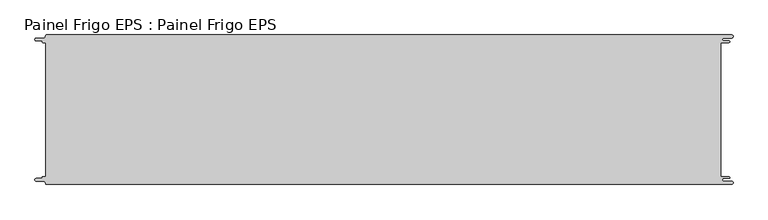
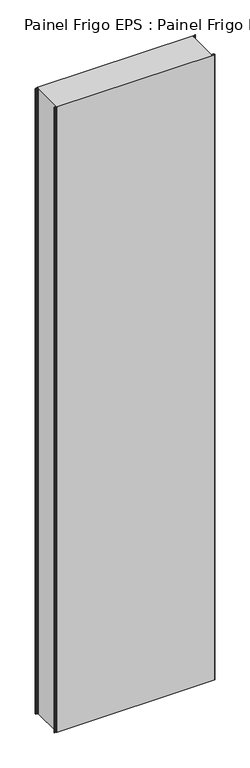
"""IFC4 building model written with IfcOpenShell, lengths in millimetres: proxy geometry, Painel Frigo EPS : Painel Frigo EPS."""

from ifc_helpers import new_model, si_unit, frame, origin, place, context, project, spatial, polyline, circle_curve, source, transform, mapped, element, save
from ifc_brep_helpers import plane_surface, cylinder_surface, revolved_surface, advanced_brep


def painel_frigo_eps_painel_frigo_eps_882fb160(model_context):
    return source(origin(), model_context, "Body", "AdvancedBrep", [
        advanced_brep(
        [(-579.5093748, -112.3, 4800.0), (-580.1093748, -112.9, 4800.0), (-580.1093748, -113.7085184, 4800.0), (-581.5093751, -115.1085187, 4800.0), (-590.4875, -115.1085187, 4800.0), (-590.4875, -119.5085185, 4800.0), (-578.471875, -119.5085185, 4800.0), (-574.921875, -123.0585185, 4800.0), (-572.971875, -125.0, 4800.0), (572.284375, -125.0, 4800.0), (572.284375, -119.725, 4800.0), (559.378125, -119.725, 4800.0), (559.378125, -114.875, 4800.0), (568.0406253, -114.875, 4800.0), (568.0406253, -112.3, 4800.0), (554.1906253, -112.3, 4800.0), (554.1906253, 112.3, 4800.0), (568.0406253, 112.3, 4800.0), (568.0406253, 114.875, 4800.0), (559.378125, 114.875, 4800.0), (559.378125, 119.725, 4800.0), (572.284375, 119.725, 4800.0), (572.284375, 125.0, 4800.0), (-572.971875, 125.0, 4800.0), (-574.921875, 123.05, 4800.0), (-578.471875, 119.5085185, 4800.0), (-590.4875, 119.5085185, 4800.0), (-590.4875, 115.1085185, 4800.0), (-581.5093753, 115.1085185, 4800.0), (-580.1093753, 113.7085185, 4800.0), (-580.1093753, 112.9, 4800.0), (-579.5093748, 112.2999995, 4800.0), (-574.2218362, 112.2999995, 4800.0), (-574.2218362, -112.3, 4800.0), (-579.5093748, -112.3, 0.0), (-574.2218362, -112.3, 0.0), (-574.2218362, 112.2999995, 0.0), (-579.5093748, 112.2999995, 0.0), (-580.1093753, 112.9, 0.0), (-580.1093753, 113.7085185, 0.0), (-581.5093753, 115.1085185, 0.0), (-590.4875, 115.1085185, 0.0), (-590.4875, 119.5085185, 0.0), (-578.471875, 119.5085185, 0.0), (-574.921875, 123.0585185, 0.0), (-572.971875, 125.0, 0.0), (572.284375, 125.0, 0.0), (572.284375, 119.725, 0.0), (559.378125, 119.725, 0.0), (559.378125, 114.875, 0.0), (568.0406253, 114.875, 0.0), (568.0406253, 112.3, 0.0), (554.1906253, 112.3, 0.0), (554.1906253, -112.3, 0.0), (568.0406253, -112.3, 0.0), (568.0406253, -114.875, 0.0), (559.378125, -114.875, 0.0), (559.378125, -119.725, 0.0), (572.284375, -119.725, 0.0), (572.284375, -125.0, 0.0), (-572.971875, -125.0, 0.0), (-574.921875, -123.05, 0.0), (-578.471875, -119.5085185, 0.0), (-590.4875, -119.5085185, 0.0), (-590.4875, -115.1085187, 0.0), (-581.5093751, -115.1085187, 0.0), (-580.1093748, -113.7085184, 0.0), (-580.1093748, -112.9, 0.0)],
        [
            (0, 1, circle_curve(frame((-579.5093748, -112.9, 4800.0), z_axis=(0.0, 0.0, 1.0), x_axis=(1.0, 0.0, 0.0)), 0.6)),
            (1, 2),
            (2, 3, circle_curve(frame((-581.5093751, -113.7085184, 4800.0), z_axis=(0.0, 0.0, -1.0), x_axis=(1.0, 0.0, 0.0)), 1.4000003)),
            (3, 4),
            (4, 5, circle_curve(frame((-590.4875, -117.3085186, 4800.0), z_axis=(0.0, 0.0, 1.0), x_axis=(1.0, 0.0, 0.0)), 2.1999999)),
            (5, 6),
            (6, 7, circle_curve(frame((-578.471875, -123.0585185, 4800.0), z_axis=(0.0, 0.0, -1.0), x_axis=(1.0, 0.0, 0.0)), 3.55)),
            (7, 8, circle_curve(frame((-572.971875, -123.05, 4800.0), z_axis=(0.0, 0.0, 1.0), x_axis=(1.0, 0.0, 0.0)), 1.95)),
            (8, 9),
            (9, 10, circle_curve(frame((572.284375, -122.3625, 4800.0), z_axis=(0.0, 0.0, 1.0), x_axis=(1.0, 0.0, 0.0)), 2.6375)),
            (10, 11),
            (11, 12, circle_curve(frame((559.378125, -117.3, 4800.0), z_axis=(0.0, 0.0, -1.0), x_axis=(1.0, 0.0, 0.0)), 2.425)),
            (12, 13),
            (13, 14, circle_curve(frame((568.0406253, -113.5875, 4800.0), z_axis=(0.0, 0.0, 1.0), x_axis=(1.0, 0.0, 0.0)), 1.2875)),
            (14, 15),
            (15, 16),
            (16, 17),
            (17, 18, circle_curve(frame((568.0406253, 113.5875, 4800.0), z_axis=(0.0, 0.0, 1.0), x_axis=(1.0, 0.0, 0.0)), 1.2875)),
            (18, 19),
            (19, 20, circle_curve(frame((559.378125, 117.3, 4800.0), z_axis=(0.0, 0.0, -1.0), x_axis=(1.0, 0.0, 0.0)), 2.425)),
            (20, 21),
            (21, 22, circle_curve(frame((572.284375, 122.3625, 4800.0), z_axis=(0.0, 0.0, 1.0), x_axis=(1.0, 0.0, 0.0)), 2.6375)),
            (22, 23),
            (23, 24, circle_curve(frame((-572.971875, 123.05, 4800.0), z_axis=(0.0, 0.0, 1.0), x_axis=(1.0, 0.0, 0.0)), 1.95)),
            (24, 25, circle_curve(frame((-578.471875, 123.0585185, 4800.0), z_axis=(0.0, 0.0, -1.0), x_axis=(1.0, 0.0, 0.0)), 3.55)),
            (25, 26),
            (26, 27, circle_curve(frame((-590.4875, 117.3085185, 4800.0), z_axis=(0.0, 0.0, 1.0), x_axis=(1.0, 0.0, 0.0)), 2.2)),
            (27, 28),
            (28, 29, circle_curve(frame((-581.5093753, 113.7085185, 4800.0), z_axis=(0.0, 0.0, -1.0), x_axis=(1.0, 0.0, 0.0)), 1.4)),
            (29, 30),
            (30, 31, circle_curve(frame((-579.5093748, 112.9, 4800.0), z_axis=(0.0, 0.0, 1.0), x_axis=(1.0, 0.0, 0.0)), 0.6000005)),
            (31, 32),
            (32, 33),
            (33, 0),
            (34, 35),
            (35, 36),
            (36, 37),
            (37, 38, circle_curve(frame((-579.5093748, 112.9, 0.0), z_axis=(0.0, 0.0, -1.0), x_axis=(1.0, 0.0, 0.0)), 0.6000005)),
            (38, 39),
            (39, 40, circle_curve(frame((-581.5093753, 113.7085185, 0.0), z_axis=(0.0, 0.0, 1.0), x_axis=(1.0, 0.0, 0.0)), 1.4)),
            (40, 41),
            (41, 42, circle_curve(frame((-590.4875, 117.3085185, 0.0), z_axis=(0.0, 0.0, -1.0), x_axis=(1.0, 0.0, 0.0)), 2.2)),
            (42, 43),
            (43, 44, circle_curve(frame((-578.471875, 123.0585185, 0.0), z_axis=(0.0, 0.0, 1.0), x_axis=(1.0, 0.0, 0.0)), 3.55)),
            (44, 45, circle_curve(frame((-572.971875, 123.05, 0.0), z_axis=(0.0, 0.0, -1.0), x_axis=(1.0, 0.0, 0.0)), 1.95)),
            (45, 46),
            (46, 47, circle_curve(frame((572.284375, 122.3625, 0.0), z_axis=(0.0, 0.0, -1.0), x_axis=(1.0, 0.0, 0.0)), 2.6375)),
            (47, 48),
            (48, 49, circle_curve(frame((559.378125, 117.3, 0.0), z_axis=(0.0, 0.0, 1.0), x_axis=(1.0, 0.0, 0.0)), 2.425)),
            (49, 50),
            (50, 51, circle_curve(frame((568.0406253, 113.5875, 0.0), z_axis=(0.0, 0.0, -1.0), x_axis=(1.0, 0.0, 0.0)), 1.2875)),
            (51, 52),
            (52, 53),
            (53, 54),
            (54, 55, circle_curve(frame((568.0406253, -113.5875, 0.0), z_axis=(0.0, 0.0, -1.0), x_axis=(1.0, 0.0, 0.0)), 1.2875)),
            (55, 56),
            (56, 57, circle_curve(frame((559.378125, -117.3, 0.0), z_axis=(0.0, 0.0, 1.0), x_axis=(1.0, 0.0, 0.0)), 2.425)),
            (57, 58),
            (58, 59, circle_curve(frame((572.284375, -122.3625, 0.0), z_axis=(0.0, 0.0, -1.0), x_axis=(1.0, 0.0, 0.0)), 2.6375)),
            (59, 60),
            (60, 61, circle_curve(frame((-572.971875, -123.05, 0.0), z_axis=(0.0, 0.0, -1.0), x_axis=(1.0, 0.0, 0.0)), 1.95)),
            (61, 62, circle_curve(frame((-578.471875, -123.0585185, 0.0), z_axis=(0.0, 0.0, 1.0), x_axis=(1.0, 0.0, 0.0)), 3.55)),
            (62, 63),
            (63, 64, circle_curve(frame((-590.4875, -117.3085186, 0.0), z_axis=(0.0, 0.0, -1.0), x_axis=(1.0, 0.0, 0.0)), 2.1999999)),
            (64, 65),
            (65, 66, circle_curve(frame((-581.5093751, -113.7085184, 0.0), z_axis=(0.0, 0.0, 1.0), x_axis=(1.0, 0.0, 0.0)), 1.4000003)),
            (66, 67),
            (67, 34, circle_curve(frame((-579.5093748, -112.9, 0.0), z_axis=(0.0, 0.0, -1.0), x_axis=(1.0, 0.0, 0.0)), 0.6)),
            (22, 46),
            (45, 23),
            (8, 60),
            (59, 9),
            (33, 35),
            (34, 0),
            (32, 36),
            (31, 37),
            (30, 38),
            (29, 39),
            (28, 40),
            (27, 41),
            (26, 42),
            (25, 43),
            (24, 44),
            (15, 53),
            (52, 16),
            (14, 54),
            (13, 55),
            (12, 56),
            (11, 57),
            (10, 58),
            (7, 61),
            (6, 62),
            (5, 63),
            (4, 64),
            (3, 65),
            (2, 66),
            (1, 67),
            (21, 47),
            (20, 48),
            (19, 49),
            (18, 50),
            (17, 51),
        ],
        [
            plane_surface(frame((-574.2218362, -112.3, 4800.0), z_axis=(0.0, 0.0, 1.0), x_axis=(1.0, 0.0, 0.0))),
            plane_surface(frame((-574.2218362, -112.3, 0.0), z_axis=(0.0, 0.0, -1.0), x_axis=(-1.0, 0.0, 0.0))),
            plane_surface(frame((-572.971875, 125.0, 4800.0), z_axis=(0.0, 1.0, 0.0), x_axis=(0.0, 0.0, -1.0))),
            plane_surface(frame((572.284375, -125.0, 4800.0), z_axis=(0.0, -1.0, 0.0), x_axis=(0.0, 0.0, -1.0))),
            plane_surface(frame((-579.5093748, -112.3, 4800.0), z_axis=(0.0, 1.0, 0.0), x_axis=(0.0, 0.0, -1.0))),
            plane_surface(frame((-574.2218362, -112.3, 4800.0), z_axis=(-1.0, 0.0, 0.0), x_axis=(0.0, 0.0, -1.0))),
            plane_surface(frame((-574.2218362, 112.2999995, 4800.0), z_axis=(0.0, -1.0, 0.0), x_axis=(0.0, 0.0, -1.0))),
            cylinder_surface(frame((-579.5093748, 112.9, 0.0), z_axis=(0.0, 0.0, 1.0), x_axis=(1.0, 0.0, 0.0)), 0.6000005),
            plane_surface(frame((-580.1093753, 112.9, 4800.0), z_axis=(-1.0, -1.757860866232952e-12, 0.0), x_axis=(0.0, 0.0, -1.0))),
            revolved_surface(polyline([(-580.1093753, 113.7085185, 0.0), (-580.1093753, 113.7085185, 4800.0)]), (-581.5093753, 113.7085185, 0.0), (0.0, 0.0, -1.0)),
            plane_surface(frame((-581.5093753, 115.1085185, 4800.0), z_axis=(0.0, -1.0, 0.0), x_axis=(0.0, 0.0, -1.0))),
            cylinder_surface(frame((-590.4875, 117.3085185, 0.0), z_axis=(0.0, 0.0, 1.0), x_axis=(1.0, 0.0, 0.0)), 2.2),
            plane_surface(frame((-590.4875, 119.5085185, 4800.0), z_axis=(0.0, 1.0, 0.0), x_axis=(0.0, 0.0, -1.0))),
            revolved_surface(polyline([(-574.921875, 123.0585185, 0.0), (-574.921875, 123.0585185, 4800.0)]), (-578.471875, 123.0585185, 0.0), (0.0, 0.0, -1.0)),
            cylinder_surface(frame((-572.971875, 123.05, 0.0), z_axis=(0.0, 0.0, 1.0), x_axis=(1.0, 0.0, 0.0)), 1.95),
            plane_surface(frame((554.1906253, 112.3, 4800.0), z_axis=(1.0, 0.0, 0.0), x_axis=(0.0, 0.0, -1.0))),
            plane_surface(frame((554.1906253, -112.3, 4800.0), z_axis=(0.0, 1.0, 0.0), x_axis=(0.0, 0.0, -1.0))),
            cylinder_surface(frame((568.0406253, -113.5875, 0.0), z_axis=(0.0, 0.0, 1.0), x_axis=(1.0, 0.0, 0.0)), 1.2875),
            plane_surface(frame((568.0406253, -114.875, 4800.0), z_axis=(0.0, -1.0, 0.0), x_axis=(0.0, 0.0, -1.0))),
            revolved_surface(polyline([(561.8031249999999, -117.3, 0.0), (561.8031249999999, -117.3, 4800.0)]), (559.378125, -117.3, 0.0), (0.0, 0.0, -1.0)),
            plane_surface(frame((559.378125, -119.725, 4800.0), z_axis=(0.0, 1.0, 0.0), x_axis=(0.0, 0.0, -1.0))),
            cylinder_surface(frame((572.284375, -122.3625, 0.0), z_axis=(0.0, 0.0, 1.0), x_axis=(1.0, 0.0, 0.0)), 2.6375),
            cylinder_surface(frame((-572.971875, -123.05, 0.0), z_axis=(0.0, 0.0, 1.0), x_axis=(1.0, 0.0, 0.0)), 1.95),
            revolved_surface(polyline([(-574.921875, -123.0585185, 0.0), (-574.921875, -123.0585185, 4800.0)]), (-578.471875, -123.0585185, 0.0), (0.0, 0.0, -1.0)),
            plane_surface(frame((-578.471875, -119.5085185, 4800.0), z_axis=(0.0, -1.0, 0.0), x_axis=(0.0, 0.0, -1.0))),
            cylinder_surface(frame((-590.4875, -117.3085186, 0.0), z_axis=(0.0, 0.0, 1.0), x_axis=(1.0, 0.0, 0.0)), 2.1999999),
            plane_surface(frame((-590.4875, -115.1085187, 4800.0), z_axis=(0.0, 1.0, 0.0), x_axis=(0.0, 0.0, -1.0))),
            revolved_surface(polyline([(-580.1093748000001, -113.7085184, 0.0), (-580.1093748000001, -113.7085184, 4800.0)]), (-581.5093751, -113.7085184, 0.0), (0.0, 0.0, -1.0)),
            plane_surface(frame((-580.1093748, -113.7085184, 4800.0), z_axis=(-1.0, 0.0, 0.0), x_axis=(0.0, 0.0, -1.0))),
            cylinder_surface(frame((-579.5093748, -112.9, 0.0), z_axis=(0.0, 0.0, 1.0), x_axis=(1.0, 0.0, 0.0)), 0.6),
            cylinder_surface(frame((572.284375, 122.3625, 0.0), z_axis=(0.0, 0.0, 1.0), x_axis=(1.0, 0.0, 0.0)), 2.6375),
            plane_surface(frame((572.284375, 119.725, 4800.0), z_axis=(0.0, -1.0, 0.0), x_axis=(0.0, 0.0, -1.0))),
            revolved_surface(polyline([(561.8031249999999, 117.3, 0.0), (561.8031249999999, 117.3, 4800.0)]), (559.378125, 117.3, 0.0), (0.0, 0.0, -1.0)),
            plane_surface(frame((559.378125, 114.875, 4800.0), z_axis=(0.0, 1.0, 0.0), x_axis=(0.0, 0.0, -1.0))),
            cylinder_surface(frame((568.0406253, 113.5875, 0.0), z_axis=(0.0, 0.0, 1.0), x_axis=(1.0, 0.0, 0.0)), 1.2875),
            plane_surface(frame((568.0406253, 112.3, 4800.0), z_axis=(0.0, -1.0, 0.0), x_axis=(0.0, 0.0, -1.0))),
        ],
        [
            (0, [[1, 2, 3, 4, 5, 6, 7, 8, 9, 10, 11, 12, 13, 14, 15, 16, 17, 18, 19, 20, 21, 22, 23, 24, 25, 26, 27, 28, 29, 30, 31, 32, 33, 34]]),
            (1, [[35, 36, 37, 38, 39, 40, 41, 42, 43, 44, 45, 46, 47, 48, 49, 50, 51, 52, 53, 54, 55, 56, 57, 58, 59, 60, 61, 62, 63, 64, 65, 66, 67, 68]]),
            (2, [[69, -46, 70, -23]]),
            (3, [[71, -60, 72, -9]]),
            (4, [[73, -35, 74, -34]]),
            (5, [[75, -36, -73, -33]]),
            (6, [[76, -37, -75, -32]]),
            (7, [[77, -38, -76, -31]]),
            (8, [[78, -39, -77, -30]]),
            (9, [[79, -40, -78, -29]]),
            (10, [[80, -41, -79, -28]]),
            (11, [[81, -42, -80, -27]]),
            (12, [[82, -43, -81, -26]]),
            (13, [[83, -44, -82, -25]]),
            (14, [[-70, -45, -83, -24]]),
            (15, [[84, -53, 85, -16]]),
            (16, [[86, -54, -84, -15]]),
            (17, [[87, -55, -86, -14]]),
            (18, [[88, -56, -87, -13]]),
            (19, [[89, -57, -88, -12]]),
            (20, [[90, -58, -89, -11]]),
            (21, [[-72, -59, -90, -10]]),
            (22, [[91, -61, -71, -8]]),
            (23, [[92, -62, -91, -7]]),
            (24, [[93, -63, -92, -6]]),
            (25, [[94, -64, -93, -5]]),
            (26, [[95, -65, -94, -4]]),
            (27, [[96, -66, -95, -3]]),
            (28, [[97, -67, -96, -2]]),
            (29, [[-74, -68, -97, -1]]),
            (30, [[98, -47, -69, -22]]),
            (31, [[99, -48, -98, -21]]),
            (32, [[100, -49, -99, -20]]),
            (33, [[101, -50, -100, -19]]),
            (34, [[102, -51, -101, -18]]),
            (35, [[-85, -52, -102, -17]]),
        ],
    ),
    ])


if __name__ == "__main__":
    model = new_model("IFC4")
    model_context = context("Model", 3, world=origin())
    ifc_project = project(units=[si_unit("LENGTHUNIT", "METRE", prefix="MILLI")], contexts=[model_context])
    site = spatial("IfcSite", under=ifc_project)
    building = spatial("IfcBuilding", under=site)
    placement = place(None, origin())
    painel_frigo_eps_painel_frigo_eps_shape = painel_frigo_eps_painel_frigo_eps_882fb160(model_context)
    element("IfcBuildingElementProxy", 1, Name="Painel Frigo EPS : Painel Frigo EPS", ObjectType="Painel Frigo EPS : Painel Frigo EPS", at=placement, inside=building, context=model_context, shape_type="MappedRepresentation", body=[
        mapped(painel_frigo_eps_painel_frigo_eps_shape, transform((0.0, 0.0, 0.0), x_axis=(1.0, 0.0, 0.0), y_axis=(0.0, 1.0, 0.0), z_axis=(0.0, 0.0, 1.0))),
    ])
    save(model, "model.ifc")
